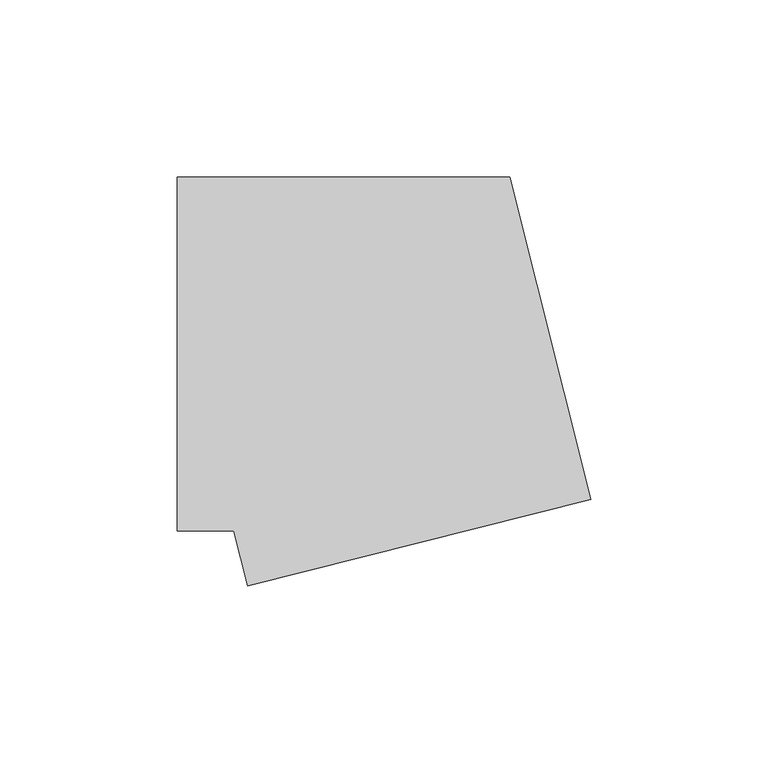
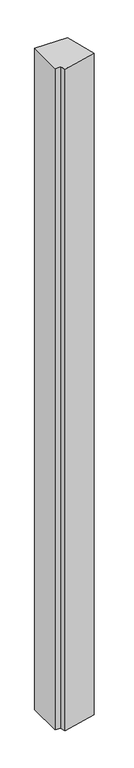
"""IFC4 building model written with IfcOpenShell, lengths in millimetres: member geometry."""

from ifc_helpers import new_model, si_unit, frame, origin, place, context, project, spatial, polyline, outline, extrude, source, transform, mapped, element, save


def member_a42589cd(model_context):
    return source(origin(), model_context, "Body", "SweptSolid", [
        extrude(outline(polyline([(-35.0815741, -65.5307802), (-38.9859628, -50.0), (-55.0, -50.0), (-55.0, 50.0), (38.9859628, 50.0), (61.9007176, -41.1497407), (-35.0815741, -65.5307802)])), frame((0.0, 0.0, -2000.0), z_axis=(0.0, 0.0, 1.0), x_axis=(1.0, 0.0, 0.0)), (0.0, 0.0, 1.0), 2000.0),
    ])


if __name__ == "__main__":
    model = new_model("IFC4")
    model_context = context("Model", 3, world=origin())
    ifc_project = project(units=[si_unit("LENGTHUNIT", "METRE", prefix="MILLI")], contexts=[model_context])
    site = spatial("IfcSite", under=ifc_project)
    building = spatial("IfcBuilding", under=site)
    placement = place(None, origin())
    member_shape = member_a42589cd(model_context)
    element("IfcMember", 1, at=placement, inside=building, context=model_context, shape_type="MappedRepresentation", body=[
        mapped(member_shape, transform((0.0, 0.0, 0.0), x_axis=(1.0, 0.0, 0.0), y_axis=(0.0, 1.0, 0.0), z_axis=(0.0, 0.0, 1.0))),
    ])
    save(model, "model.ifc")
